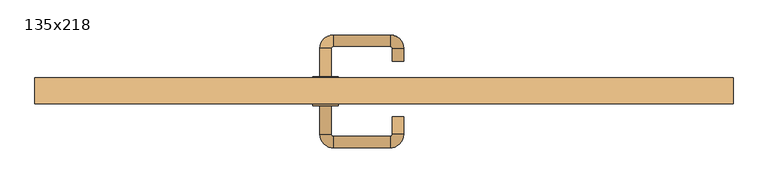
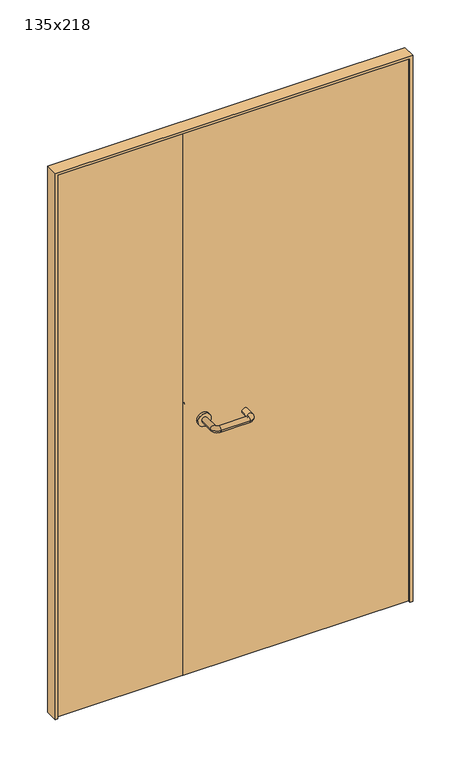
"""IFC4 building model written with IfcOpenShell, lengths in millimetres: door geometry, 135x218."""

from ifc_helpers import new_model, si_unit, point, frame, frame_2d, origin, place, context, project, spatial, polyline, circle_curve, ellipse_curve, trimmed, segment, composite_curve, outline, extrude, source, transform, mapped, element, save
from ifc_brep_helpers import plane_surface, cylinder_surface, revolved_surface, advanced_brep


def door_135x218_c3938bb6(model_context):
    return source(origin(), model_context, "Body", "SolidModel", [
        extrude(outline(polyline([(2180.0, -675.0), (0.0, -675.0), (0.0, -665.0), (2170.0, -665.0), (2170.0, 665.0), (0.0, 665.0), (0.0, 675.0), (2180.0, 675.0), (2180.0, -675.0)])), frame((0.0, 150.0, 0.0), z_axis=(0.0, 1.0, 0.0), x_axis=(0.0, 0.0, 1.0)), (0.0, 0.0, 1.0), 50.0),
        advanced_brep(
        [(-124.0, 145.8874183, 1003.0), (-102.0, 145.8874183, 1003.0), (-102.0, 91.0031939, 1003.0), (-124.0, 91.0031939, 1003.0), (-98.0, 65.0031939, 1003.0), (-98.0, 87.0031939, 1003.0), (12.0, 87.0031939, 1003.0), (12.0, 65.0031939, 1003.0), (38.0, 91.0031939, 1003.0), (16.0, 91.0031939, 1003.0), (16.0, 125.0, 1003.0), (38.0, 125.0, 1003.0)],
        [
            (0, 1, circle_curve(frame((-113.0, 145.8874183, 1003.0), z_axis=(0.0, 1.0, 0.0), x_axis=(1.0, 0.0, 0.0)), 11.0)),
            (1, 0, circle_curve(frame((-113.0, 145.8874183, 1003.0), z_axis=(0.0, 1.0, 0.0), x_axis=(1.0, 0.0, 0.0)), 11.0)),
            (1, 2),
            (2, 3, circle_curve(frame((-113.0, 91.0031939, 1003.0), z_axis=(0.0, 1.0, 0.0), x_axis=(1.0, 0.0, 0.0)), 11.0)),
            (3, 0),
            (4, 3, circle_curve(frame((-98.0, 91.0031939, 1003.0), z_axis=(0.0, 0.0, -1.0), x_axis=(-1.0, 0.0, 0.0)), 26.0)),
            (2, 5, circle_curve(frame((-98.0, 91.0031939, 1003.0), z_axis=(0.0, 0.0, 1.0), x_axis=(-1.0, 0.0, 0.0)), 4.0)),
            (5, 4, circle_curve(frame((-98.0, 76.0031939, 1003.0), z_axis=(-1.0, 0.0, 0.0), x_axis=(0.0, 1.0, 0.0)), 11.0)),
            (5, 6),
            (6, 7, circle_curve(frame((12.0, 76.0031939, 1003.0), z_axis=(-1.0, 0.0, 0.0), x_axis=(0.0, 1.0, 0.0)), 11.0)),
            (7, 4),
            (8, 7, circle_curve(frame((12.0, 91.0031939, 1003.0), z_axis=(0.0, 0.0, -1.0), x_axis=(0.0, -1.0, 0.0)), 26.0)),
            (6, 9, circle_curve(frame((12.0, 91.0031939, 1003.0), z_axis=(0.0, 0.0, 1.0), x_axis=(0.0, -1.0, 0.0)), 4.0)),
            (9, 8, circle_curve(frame((27.0, 91.0031939, 1003.0), z_axis=(0.0, -1.0, 0.0), x_axis=(-1.0, 0.0, 0.0)), 11.0)),
            (9, 10),
            (10, 11, circle_curve(frame((27.0, 125.0, 1003.0), z_axis=(0.0, -1.0, 0.0), x_axis=(-1.0, 0.0, 0.0)), 11.0)),
            (11, 8),
            (10, 11, circle_curve(frame((27.0, 125.0, 1003.0), z_axis=(0.0, 1.0, 0.0), x_axis=(-1.0, 0.0, 0.0)), 11.0)),
            (3, 2, circle_curve(frame((-113.0, 91.0031939, 1003.0), z_axis=(0.0, 1.0, 0.0), x_axis=(1.0, 0.0, 0.0)), 11.0)),
            (4, 5, circle_curve(frame((-98.0, 76.0031939, 1003.0), z_axis=(-1.0, 0.0, 0.0), x_axis=(0.0, 1.0, 0.0)), 11.0)),
            (7, 6, circle_curve(frame((12.0, 76.0031939, 1003.0), z_axis=(-1.0, 0.0, 0.0), x_axis=(0.0, 1.0, 0.0)), 11.0)),
            (8, 9, circle_curve(frame((27.0, 91.0031939, 1003.0), z_axis=(0.0, -1.0, 0.0), x_axis=(-1.0, 0.0, 0.0)), 11.0)),
        ],
        [
            plane_surface(frame((-124.0, 145.8874183, 1003.0), z_axis=(0.0, 1.0, 0.0), x_axis=(0.0, 0.0, -1.0))),
            cylinder_surface(frame((-113.0, 145.8874183, 1003.0), z_axis=(0.0, 1.0, 0.0), x_axis=(1.0, 0.0, 0.0)), 11.0),
            revolved_surface(trimmed(ellipse_curve(frame((-113.0, 91.0031939, 1003.0), z_axis=(0.0, 1.0, 0.0), x_axis=(1.0, 0.0, 0.0)), 11.0, 11.0), [point((-102.0, 91.0031939, 1003.0))], [point((-124.0, 91.0031939, 1003.0))], True, "CARTESIAN"), (-98.0, 91.0031939, 1003.0), (0.0, 0.0, 1.0)),
            cylinder_surface(frame((-98.0, 76.0031939, 1003.0), z_axis=(-1.0, 0.0, 0.0), x_axis=(0.0, 1.0, 0.0)), 11.0),
            revolved_surface(trimmed(ellipse_curve(frame((12.0, 76.0031939, 1003.0), z_axis=(-1.0, 0.0, 0.0), x_axis=(0.0, 1.0, 0.0)), 11.0, 11.0), [point((12.0, 87.0031939, 1003.0))], [point((12.0, 65.0031939, 1003.0))], True, "CARTESIAN"), (12.0, 91.0031939, 1003.0), (0.0, 0.0, 1.0)),
            cylinder_surface(frame((27.0, 91.0031939, 1003.0), z_axis=(0.0, -1.0, 0.0), x_axis=(-1.0, 0.0, 0.0)), 11.0),
            plane_surface(frame((16.0, 125.0, 1003.0), z_axis=(0.0, 1.0, 0.0), x_axis=(0.0, 0.0, 1.0))),
            revolved_surface(trimmed(ellipse_curve(frame((-113.0, 91.0031939, 1003.0), z_axis=(0.0, 1.0, 0.0), x_axis=(1.0, 0.0, 0.0)), 11.0, 11.0), [point((-124.0, 91.0031939, 1003.0))], [point((-102.0, 91.0031939, 1003.0))], True, "CARTESIAN"), (-98.0, 91.0031939, 1003.0), (0.0, 0.0, 1.0)),
            revolved_surface(trimmed(ellipse_curve(frame((12.0, 76.0031939, 1003.0), z_axis=(-1.0, 0.0, 0.0), x_axis=(0.0, 1.0, 0.0)), 11.0, 11.0), [point((12.0, 65.0031939, 1003.0))], [point((12.0, 87.0031939, 1003.0))], True, "CARTESIAN"), (12.0, 91.0031939, 1003.0), (0.0, 0.0, 1.0)),
        ],
        [
            (0, [[1, 2]]),
            (1, [[-2, 3, 4, 5]]),
            (2, [[6, -4, 7, 8]]),
            (3, [[-8, 9, 10, 11]]),
            (4, [[12, -10, 13, 14]]),
            (5, [[-14, 15, 16, 17]]),
            (6, [[-16, 18]]),
            (1, [[-1, -5, 19, -3]]),
            (7, [[-7, -19, -6, 20]]),
            (3, [[-20, -11, 21, -9]]),
            (8, [[-13, -21, -12, 22]]),
            (5, [[-22, -17, -18, -15]]),
        ],
    ),
        extrude(outline(polyline([(-189.99898, 156.0), (-662.0, 156.0), (-662.0, 200.0), (-189.99898, 200.0), (-189.99898, 156.0)])), frame((0.0, 0.0, 3.0), z_axis=(0.0, 0.0, 1.0), x_axis=(1.0, 0.0, 0.0)), (0.0, 0.0, 1.0), 2164.0),
        extrude(outline(polyline([(662.0, 156.0), (-188.0, 156.0), (-188.0, 200.0), (662.0, 200.0), (662.0, 156.0)])), frame((0.0, 0.0, 3.0), z_axis=(0.0, 0.0, 1.0), x_axis=(1.0, 0.0, 0.0)), (0.0, 0.0, 1.0), 2164.0),
        extrude(outline(composite_curve([segment(trimmed(circle_curve(frame_2d((1003.0, -113.0)), 25.0), [point((1003.0, -138.0))], [point((1003.0, -88.0))], False, "CARTESIAN"), True, "CONTINUOUS"), segment(trimmed(circle_curve(frame_2d((1003.0, -113.0)), 25.0), [point((1003.0, -88.0))], [point((1003.0, -138.0))], False, "CARTESIAN"), True, "CONTINUOUS")], self_intersect=False)), frame((0.0, 145.8874183, 0.0), z_axis=(0.0, 1.0, 0.0), x_axis=(0.0, 0.0, 1.0)), (0.0, 0.0, 1.0), 10.1125817),
        advanced_brep(
        [(-102.0, 202.0, 1003.0), (-124.0, 202.0, 1003.0), (-124.0, 257.0, 1003.0), (-102.0, 257.0, 1003.0), (-98.0, 261.0, 1003.0), (-98.0, 283.0, 1003.0), (12.0, 283.0, 1003.0), (12.0, 261.0, 1003.0), (16.0, 257.0, 1003.0), (38.0, 257.0, 1003.0), (38.0, 232.0, 1003.0), (16.0, 232.0, 1003.0)],
        [
            (0, 1, circle_curve(frame((-113.0, 202.0, 1003.0), z_axis=(0.0, -1.0, 0.0), x_axis=(-1.0, 0.0, 0.0)), 11.0)),
            (1, 0, circle_curve(frame((-113.0, 202.0, 1003.0), z_axis=(0.0, -1.0, 0.0), x_axis=(-1.0, 0.0, 0.0)), 11.0)),
            (1, 2),
            (2, 3, circle_curve(frame((-113.0, 257.0, 1003.0), z_axis=(0.0, -1.0, 0.0), x_axis=(-1.0, 0.0, 0.0)), 11.0)),
            (3, 0),
            (4, 3, circle_curve(frame((-98.0, 257.0, 1003.0), z_axis=(0.0, 0.0, 1.0), x_axis=(-1.0, 0.0, 0.0)), 4.0)),
            (2, 5, circle_curve(frame((-98.0, 257.0, 1003.0), z_axis=(0.0, 0.0, -1.0), x_axis=(-1.0, 0.0, 0.0)), 26.0)),
            (5, 4, circle_curve(frame((-98.0, 272.0, 1003.0), z_axis=(-1.0, 0.0, 0.0), x_axis=(0.0, 1.0, 0.0)), 11.0)),
            (5, 6),
            (6, 7, circle_curve(frame((12.0, 272.0, 1003.0), z_axis=(-1.0, 0.0, 0.0), x_axis=(0.0, 1.0, 0.0)), 11.0)),
            (7, 4),
            (8, 7, circle_curve(frame((12.0, 257.0, 1003.0), z_axis=(0.0, 0.0, 1.0), x_axis=(0.0, 1.0, 0.0)), 4.0)),
            (6, 9, circle_curve(frame((12.0, 257.0, 1003.0), z_axis=(0.0, 0.0, -1.0), x_axis=(0.0, 1.0, 0.0)), 26.0)),
            (9, 8, circle_curve(frame((27.0, 257.0, 1003.0), z_axis=(0.0, 1.0, 0.0), x_axis=(1.0, 0.0, 0.0)), 11.0)),
            (9, 10),
            (10, 11, circle_curve(frame((27.0, 232.0, 1003.0), z_axis=(0.0, 1.0, 0.0), x_axis=(1.0, 0.0, 0.0)), 11.0)),
            (11, 8),
            (10, 11, circle_curve(frame((27.0, 232.0, 1003.0), z_axis=(0.0, -1.0, 0.0), x_axis=(1.0, 0.0, 0.0)), 11.0)),
            (3, 2, circle_curve(frame((-113.0, 257.0, 1003.0), z_axis=(0.0, -1.0, 0.0), x_axis=(-1.0, 0.0, 0.0)), 11.0)),
            (4, 5, circle_curve(frame((-98.0, 272.0, 1003.0), z_axis=(-1.0, 0.0, 0.0), x_axis=(0.0, 1.0, 0.0)), 11.0)),
            (7, 6, circle_curve(frame((12.0, 272.0, 1003.0), z_axis=(-1.0, 0.0, 0.0), x_axis=(0.0, 1.0, 0.0)), 11.0)),
            (8, 9, circle_curve(frame((27.0, 257.0, 1003.0), z_axis=(0.0, 1.0, 0.0), x_axis=(1.0, 0.0, 0.0)), 11.0)),
        ],
        [
            plane_surface(frame((-124.0, 202.0, 1003.0), z_axis=(0.0, -1.0, 0.0), x_axis=(0.0, 0.0, 1.0))),
            cylinder_surface(frame((-113.0, 202.0, 1003.0), z_axis=(0.0, -1.0, 0.0), x_axis=(-1.0, 0.0, 0.0)), 11.0),
            revolved_surface(trimmed(ellipse_curve(frame((-113.0, 257.0, 1003.0), z_axis=(0.0, -1.0, 0.0), x_axis=(-1.0, 0.0, 0.0)), 11.0, 11.0), [point((-124.0, 257.0, 1003.0))], [point((-102.0, 257.0, 1003.0))], True, "CARTESIAN"), (-98.0, 257.0, 1003.0), (0.0, 0.0, -1.0)),
            cylinder_surface(frame((-98.0, 272.0, 1003.0), z_axis=(-1.0, 0.0, 0.0), x_axis=(0.0, 1.0, 0.0)), 11.0),
            revolved_surface(trimmed(ellipse_curve(frame((12.0, 272.0, 1003.0), z_axis=(-1.0, 0.0, 0.0), x_axis=(0.0, 1.0, 0.0)), 11.0, 11.0), [point((12.0, 283.0, 1003.0))], [point((12.0, 261.0, 1003.0))], True, "CARTESIAN"), (12.0, 257.0, 1003.0), (0.0, 0.0, -1.0)),
            cylinder_surface(frame((27.0, 257.0, 1003.0), z_axis=(0.0, 1.0, 0.0), x_axis=(1.0, 0.0, 0.0)), 11.0),
            plane_surface(frame((16.0, 232.0, 1003.0), z_axis=(0.0, -1.0, 0.0), x_axis=(0.0, 0.0, -1.0))),
            revolved_surface(trimmed(ellipse_curve(frame((-113.0, 257.0, 1003.0), z_axis=(0.0, -1.0, 0.0), x_axis=(-1.0, 0.0, 0.0)), 11.0, 11.0), [point((-102.0, 257.0, 1003.0))], [point((-124.0, 257.0, 1003.0))], True, "CARTESIAN"), (-98.0, 257.0, 1003.0), (0.0, 0.0, -1.0)),
            revolved_surface(trimmed(ellipse_curve(frame((12.0, 272.0, 1003.0), z_axis=(-1.0, 0.0, 0.0), x_axis=(0.0, 1.0, 0.0)), 11.0, 11.0), [point((12.0, 261.0, 1003.0))], [point((12.0, 283.0, 1003.0))], True, "CARTESIAN"), (12.0, 257.0, 1003.0), (0.0, 0.0, -1.0)),
        ],
        [
            (0, [[1, 2]]),
            (1, [[-2, 3, 4, 5]]),
            (2, [[6, -4, 7, 8]]),
            (3, [[-8, 9, 10, 11]]),
            (4, [[12, -10, 13, 14]]),
            (5, [[-14, 15, 16, 17]]),
            (6, [[-16, 18]]),
            (1, [[-1, -5, 19, -3]]),
            (7, [[-7, -19, -6, 20]]),
            (3, [[-20, -11, 21, -9]]),
            (8, [[-13, -21, -12, 22]]),
            (5, [[-22, -17, -18, -15]]),
        ],
    ),
        extrude(outline(composite_curve([segment(trimmed(circle_curve(frame_2d((1003.0, -113.0)), 25.0), [point((1003.0, -88.0))], [point((1003.0, -138.0))], False, "CARTESIAN"), True, "CONTINUOUS"), segment(trimmed(circle_curve(frame_2d((1003.0, -113.0)), 25.0), [point((1003.0, -138.0))], [point((1003.0, -88.0))], False, "CARTESIAN"), True, "CONTINUOUS")], self_intersect=False)), frame((0.0, 200.0, 0.0), z_axis=(0.0, 1.0, 0.0), x_axis=(0.0, 0.0, 1.0)), (0.0, 0.0, 1.0), 2.0),
    ])


if __name__ == "__main__":
    model = new_model("IFC4")
    model_context = context("Model", 3, world=origin())
    ifc_project = project(units=[si_unit("LENGTHUNIT", "METRE", prefix="MILLI")], contexts=[model_context])
    site = spatial("IfcSite", under=ifc_project)
    building = spatial("IfcBuilding", under=site)
    placement = place(None, origin())
    door_135x218_shape = door_135x218_c3938bb6(model_context)
    element("IfcDoor", 1, ObjectType="135x218", at=placement, inside=building, context=model_context, shape_type="MappedRepresentation", body=[
        mapped(door_135x218_shape, transform((0.0, 0.0, 0.0), x_axis=(1.0, 0.0, 0.0), y_axis=(0.0, 1.0, 0.0), z_axis=(0.0, 0.0, 1.0))),
    ])
    save(model, "model.ifc")
